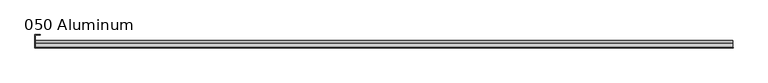
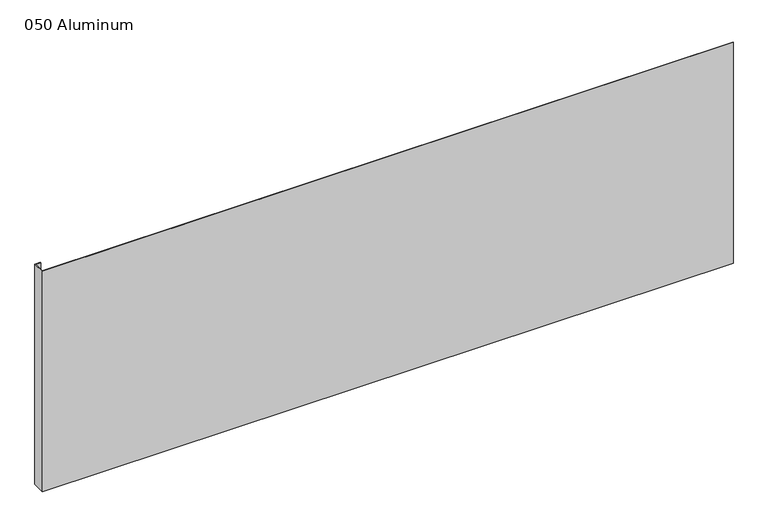
"""IFC4 building model written with IfcOpenShell, lengths in millimetres: plate geometry, 050 Aluminum."""

from ifc_helpers import new_model, si_unit, point, frame, frame_2d, origin, origin_with_axes, place, context, project, spatial, polyline, circle_curve, trimmed, segment, composite_curve, outline, extrude, source, transform, mapped, element, save


def plate_050_aluminum_c27c90b5(model_context):
    return source(origin(), model_context, "Body", "SweptSolid", [
        extrude(outline(polyline([(-919.4799998, -2.5660257), (-919.4799998, -34.7980001), (-920.7499998, -34.7980001), (-920.7499998, -1.2699999), (-906.5894993, -1.2699999), (-906.5894993, -2.5660257), (-919.4799998, -2.5660257)])), origin_with_axes(), (0.0, 0.0, 1.0), 621.03),
        extrude(outline(composite_curve([segment(polyline([(-16.6765477, 13.1458337), (-16.6765477, 2.786437), (-17.9464915, 2.786437), (-17.9464915, 13.1323356)]), True, "CONTINUOUS"), segment(trimmed(circle_curve(frame_2d((-19.8514743, 13.124237)), 1.905), [point((-17.9464915, 13.1323356))], [point((-21.7564743, 13.124237))], True, "CARTESIAN"), True, "CONTINUOUS"), segment(polyline([(-21.7564743, 13.124237), (-21.7564743, 0.0), (-34.7980002, 0.0), (-34.7980002, 1.2693678), (-23.0264743, 1.2693678), (-23.0264743, 13.124237)]), True, "CONTINUOUS"), segment(trimmed(circle_curve(frame_2d((-19.8514743, 13.124237)), 3.175), [point((-23.0264743, 13.124237))], [point((-16.6765477, 13.1458337))], False, "CARTESIAN"), True, "CONTINUOUS")], self_intersect=False)), frame((-919.4799998, 0.0, 0.0), z_axis=(1.0, 0.0, 0.0), x_axis=(0.0, 1.0, 0.0)), (0.0, 0.0, 1.0), 1838.9599997),
        extrude(outline(polyline([(-920.7499998, -36.068), (-920.7499998, -34.7980001), (920.7499998, -34.7980001), (920.7499998, -36.068), (-920.7499998, -36.068)])), origin_with_axes(), (0.0, 0.0, 1.0), 622.3),
    ])


if __name__ == "__main__":
    model = new_model("IFC4")
    model_context = context("Model", 3, world=origin())
    ifc_project = project(units=[si_unit("LENGTHUNIT", "METRE", prefix="MILLI")], contexts=[model_context])
    site = spatial("IfcSite", under=ifc_project)
    building = spatial("IfcBuilding", under=site)
    placement = place(None, origin())
    plate_050_aluminum_shape = plate_050_aluminum_c27c90b5(model_context)
    element("IfcPlate", 1, ObjectType="050 Aluminum", at=placement, inside=building, context=model_context, shape_type="MappedRepresentation", body=[
        mapped(plate_050_aluminum_shape, transform((0.0, 0.0, 0.0), x_axis=(1.0, 0.0, 0.0), y_axis=(0.0, 1.0, 0.0), z_axis=(0.0, 0.0, 1.0))),
    ])
    save(model, "model.ifc")
